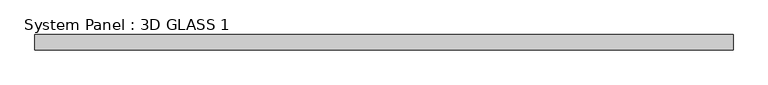
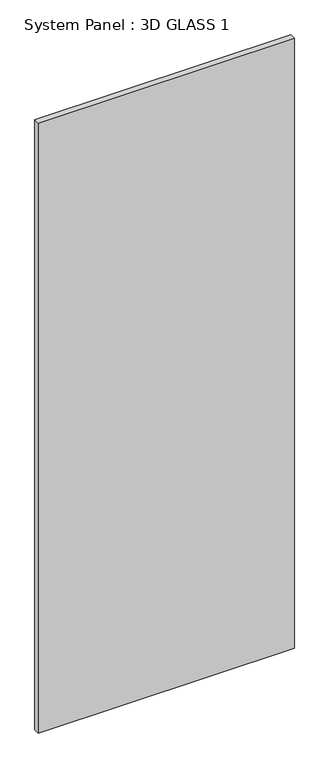
"""IFC4 building model written with IfcOpenShell, lengths in millimetres: plate geometry, System Panel : 3D GLASS 1."""

from ifc_helpers import new_model, si_unit, origin, origin_with_axes, place, context, project, spatial, polyline, outline, extrude, source, transform, mapped, element, save


def system_panel_3d_glass_1_68e8ae9a(model_context):
    return source(origin(), model_context, "Body", "SweptSolid", [
        extrude(outline(polyline([(580.628125, -12.7), (-580.628125, -12.7), (-580.628125, 12.7), (580.628125, 12.7), (580.628125, -12.7)])), origin_with_axes(), (0.0, 0.0, 1.0), 2921.0),
    ])


if __name__ == "__main__":
    model = new_model("IFC4")
    model_context = context("Model", 3, world=origin())
    ifc_project = project(units=[si_unit("LENGTHUNIT", "METRE", prefix="MILLI")], contexts=[model_context])
    site = spatial("IfcSite", under=ifc_project)
    building = spatial("IfcBuilding", under=site)
    placement = place(None, origin())
    system_panel_3d_glass_1_shape = system_panel_3d_glass_1_68e8ae9a(model_context)
    element("IfcPlate", 1, ObjectType="System Panel : 3D GLASS 1", at=placement, inside=building, context=model_context, shape_type="MappedRepresentation", body=[
        mapped(system_panel_3d_glass_1_shape, transform((0.0, 0.0, 0.0), x_axis=(1.0, 0.0, 0.0), y_axis=(0.0, 1.0, 0.0), z_axis=(0.0, 0.0, 1.0))),
    ])
    save(model, "model.ifc")
